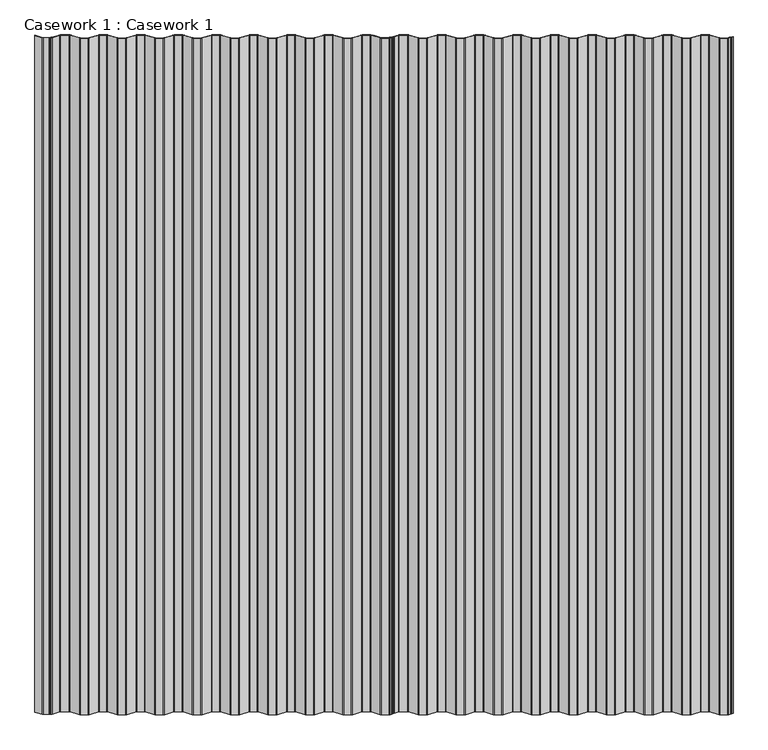
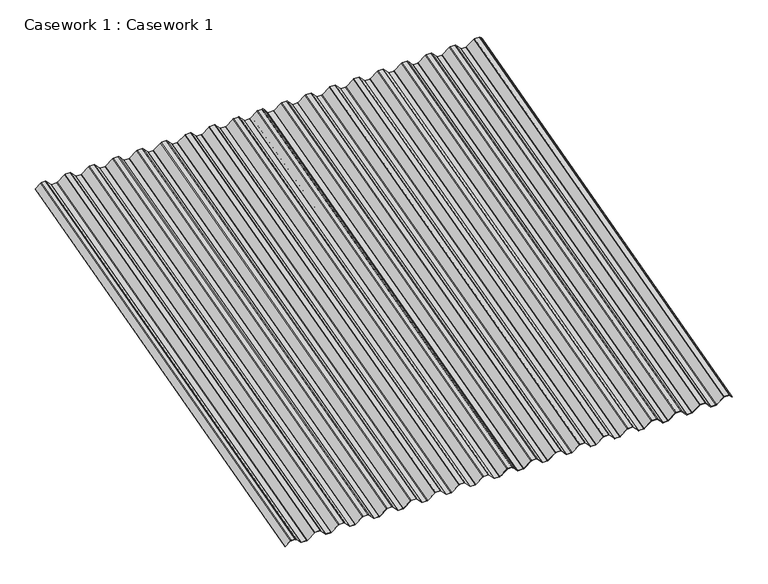
"""IFC4 building model written with IfcOpenShell, lengths in millimetres: furniture geometry, Casework 1 : Casework 1."""

from ifc_helpers import new_model, si_unit, point, frame, frame_2d, origin, place, context, project, spatial, polyline, circle_curve, trimmed, segment, composite_curve, outline, extrude, source, transform, mapped, element, save


def casework_1_casework_1_2059b496(model_context):
    return source(origin(), model_context, "Body", "SweptSolid", [
        extrude(outline(composite_curve([segment(polyline([(22.4266797, 18.2436099), (17.0394884, 22.7230352)]), True, "CONTINUOUS"), segment(trimmed(circle_curve(frame_2d((17.4272006, 23.0454162)), 0.5042323), [point((17.0394884, 22.7230352))], [point((17.7495816, 23.4331284))], False, "CARTESIAN"), True, "CONTINUOUS"), segment(polyline([(17.7495816, 23.4331284), (22.7475344, 19.2773532), (24.8599332, 19.4717018), (25.628849, 18.8323518), (25.8231976, 16.719953), (30.8211505, 12.5641778)]), True, "CONTINUOUS"), segment(trimmed(circle_curve(frame_2d((28.25, 9.5)), 4.0), [point((30.8211505, 12.5641778))], [point((32.25, 9.5))], False, "CARTESIAN"), True, "CONTINUOUS"), segment(polyline([(32.25, 9.5), (32.25, -9.5)]), True, "CONTINUOUS"), segment(trimmed(circle_curve(frame_2d((28.25, -9.5)), 4.0), [point((32.25, -9.5))], [point((30.8282571, -12.5582005))], False, "CARTESIAN"), True, "CONTINUOUS"), segment(polyline([(30.8282571, -12.5582005), (2.0663072, -36.8063496)]), True, "CONTINUOUS"), segment(trimmed(circle_curve(frame_2d((4.0, -39.1)), 3.0), [point((2.0663072, -36.8063496))], [point((1.0, -39.1))], True, "CARTESIAN"), True, "CONTINUOUS"), segment(polyline([(1.0, -39.1), (1.0, -58.12)]), True, "CONTINUOUS"), segment(trimmed(circle_curve(frame_2d((4.0, -58.12)), 3.0), [point((1.0, -58.12))], [point((2.0663065, -60.4136498))], True, "CARTESIAN"), True, "CONTINUOUS"), segment(polyline([(2.0663065, -60.4136498), (30.8211505, -84.6558222)]), True, "CONTINUOUS"), segment(trimmed(circle_curve(frame_2d((28.25, -87.72)), 4.0), [point((30.8211505, -84.6558222))], [point((32.25, -87.72))], False, "CARTESIAN"), True, "CONTINUOUS"), segment(polyline([(32.25, -87.72), (32.25, -106.72)]), True, "CONTINUOUS"), segment(trimmed(circle_curve(frame_2d((28.25, -106.72)), 4.0), [point((32.25, -106.72))], [point((30.8211505, -109.7841778))], False, "CARTESIAN"), True, "CONTINUOUS"), segment(polyline([(30.8211505, -109.7841778), (2.0716372, -134.0218666)]), True, "CONTINUOUS"), segment(trimmed(circle_curve(frame_2d((4.0, -136.32)), 3.0), [point((2.0716372, -134.0218666))], [point((1.0, -136.32))], True, "CARTESIAN"), True, "CONTINUOUS"), segment(polyline([(1.0, -136.32), (1.0, -155.342)]), True, "CONTINUOUS"), segment(trimmed(circle_curve(frame_2d((4.0, -155.342)), 3.0), [point((1.0, -155.342))], [point((2.0716372, -157.6401333))], True, "CARTESIAN"), True, "CONTINUOUS"), segment(polyline([(2.0716372, -157.6401333), (30.8211505, -181.8778222)]), True, "CONTINUOUS"), segment(trimmed(circle_curve(frame_2d((28.25, -184.942)), 4.0), [point((30.8211505, -181.8778222))], [point((32.25, -184.942))], False, "CARTESIAN"), True, "CONTINUOUS"), segment(polyline([(32.25, -184.942), (32.25, -203.942)]), True, "CONTINUOUS"), segment(trimmed(circle_curve(frame_2d((28.25, -203.942)), 4.0), [point((32.25, -203.942))], [point((30.8282571, -207.0002005))], False, "CARTESIAN"), True, "CONTINUOUS"), segment(polyline([(30.8282571, -207.0002005), (2.0663072, -231.2483496)]), True, "CONTINUOUS"), segment(trimmed(circle_curve(frame_2d((4.0, -233.542)), 3.0), [point((2.0663072, -231.2483496))], [point((1.0, -233.542))], True, "CARTESIAN"), True, "CONTINUOUS"), segment(polyline([(1.0, -233.542), (1.0, -252.564)]), True, "CONTINUOUS"), segment(trimmed(circle_curve(frame_2d((4.0, -252.564)), 3.0), [point((1.0, -252.564))], [point((2.0716372, -254.8621333))], True, "CARTESIAN"), True, "CONTINUOUS"), segment(polyline([(2.0716372, -254.8621333), (30.8211505, -279.0998222)]), True, "CONTINUOUS"), segment(trimmed(circle_curve(frame_2d((28.25, -282.164)), 4.0), [point((30.8211505, -279.0998222))], [point((32.25, -282.164))], False, "CARTESIAN"), True, "CONTINUOUS"), segment(polyline([(32.25, -282.164), (32.25, -301.164)]), True, "CONTINUOUS"), segment(trimmed(circle_curve(frame_2d((28.25, -301.164)), 4.0), [point((32.25, -301.164))], [point((30.8282578, -304.2221999))], False, "CARTESIAN"), True, "CONTINUOUS"), segment(polyline([(30.8282578, -304.2221999), (2.0716372, -328.4658666)]), True, "CONTINUOUS"), segment(trimmed(circle_curve(frame_2d((4.0, -330.764)), 3.0), [point((2.0716372, -328.4658666))], [point((1.0, -330.764))], True, "CARTESIAN"), True, "CONTINUOUS"), segment(polyline([(1.0, -330.764), (1.0, -349.786)]), True, "CONTINUOUS"), segment(trimmed(circle_curve(frame_2d((4.0, -349.786)), 3.0), [point((1.0, -349.786))], [point((2.0716372, -352.0841333))], True, "CARTESIAN"), True, "CONTINUOUS"), segment(polyline([(2.0716372, -352.0841333), (30.8211505, -376.3218222)]), True, "CONTINUOUS"), segment(trimmed(circle_curve(frame_2d((28.25, -379.386)), 4.0), [point((30.8211505, -376.3218222))], [point((32.25, -379.386))], False, "CARTESIAN"), True, "CONTINUOUS"), segment(polyline([(32.25, -379.386), (32.25, -398.386)]), True, "CONTINUOUS"), segment(trimmed(circle_curve(frame_2d((28.25, -398.386)), 4.0), [point((32.25, -398.386))], [point((30.8211505, -401.4501778))], False, "CARTESIAN"), True, "CONTINUOUS"), segment(polyline([(30.8211505, -401.4501778), (2.0663065, -425.6923502)]), True, "CONTINUOUS"), segment(trimmed(circle_curve(frame_2d((4.0, -427.986)), 3.0), [point((2.0663065, -425.6923502))], [point((1.0, -427.986))], True, "CARTESIAN"), True, "CONTINUOUS"), segment(polyline([(1.0, -427.986), (1.0, -447.008)]), True, "CONTINUOUS"), segment(trimmed(circle_curve(frame_2d((4.0, -447.008)), 3.0), [point((1.0, -447.008))], [point((2.0663072, -449.3016504))], True, "CARTESIAN"), True, "CONTINUOUS"), segment(polyline([(2.0663072, -449.3016504), (30.8282571, -473.5497995)]), True, "CONTINUOUS"), segment(trimmed(circle_curve(frame_2d((28.25, -476.608)), 4.0), [point((30.8282571, -473.5497995))], [point((32.25, -476.608))], False, "CARTESIAN"), True, "CONTINUOUS"), segment(polyline([(32.25, -476.608), (32.25, -495.608)]), True, "CONTINUOUS"), segment(trimmed(circle_curve(frame_2d((28.25, -495.608)), 4.0), [point((32.25, -495.608))], [point((30.8282578, -498.6661999))], False, "CARTESIAN"), True, "CONTINUOUS"), segment(polyline([(30.8282578, -498.6661999), (2.0716372, -522.9098666)]), True, "CONTINUOUS"), segment(trimmed(circle_curve(frame_2d((4.0, -525.208)), 3.0), [point((2.0716372, -522.9098666))], [point((1.0, -525.208))], True, "CARTESIAN"), True, "CONTINUOUS"), segment(polyline([(1.0, -525.208), (1.0, -544.232)]), True, "CONTINUOUS"), segment(trimmed(circle_curve(frame_2d((4.0, -544.232)), 3.0), [point((1.0, -544.232))], [point((2.0716372, -546.5301333))], True, "CARTESIAN"), True, "CONTINUOUS"), segment(polyline([(2.0716372, -546.5301333), (30.8211505, -570.7678222)]), True, "CONTINUOUS"), segment(trimmed(circle_curve(frame_2d((28.25, -573.832)), 4.0), [point((30.8211505, -570.7678222))], [point((32.25, -573.832))], False, "CARTESIAN"), True, "CONTINUOUS"), segment(polyline([(32.25, -573.832), (32.25, -592.832)]), True, "CONTINUOUS"), segment(trimmed(circle_curve(frame_2d((28.25, -592.832)), 4.0), [point((32.25, -592.832))], [point((30.8211505, -595.8961778))], False, "CARTESIAN"), True, "CONTINUOUS"), segment(polyline([(30.8211505, -595.8961778), (2.0716372, -620.1338666)]), True, "CONTINUOUS"), segment(trimmed(circle_curve(frame_2d((4.0, -622.432)), 3.0), [point((2.0716372, -620.1338666))], [point((1.0, -622.432))], True, "CARTESIAN"), True, "CONTINUOUS"), segment(polyline([(1.0, -622.432), (1.0, -641.454)]), True, "CONTINUOUS"), segment(trimmed(circle_curve(frame_2d((4.0, -641.454)), 3.0), [point((1.0, -641.454))], [point((2.0716372, -643.7521333))], True, "CARTESIAN"), True, "CONTINUOUS"), segment(polyline([(2.0716372, -643.7521333), (30.8211505, -667.9898222)]), True, "CONTINUOUS"), segment(trimmed(circle_curve(frame_2d((28.25, -671.054)), 4.0), [point((30.8211505, -667.9898222))], [point((32.25, -671.054))], False, "CARTESIAN"), True, "CONTINUOUS"), segment(polyline([(32.25, -671.054), (32.25, -690.054)]), True, "CONTINUOUS"), segment(trimmed(circle_curve(frame_2d((28.25, -690.054)), 4.0), [point((32.25, -690.054))], [point((30.8211505, -693.1181778))], False, "CARTESIAN"), True, "CONTINUOUS"), segment(polyline([(30.8211505, -693.1181778), (2.0716372, -717.3558666)]), True, "CONTINUOUS"), segment(trimmed(circle_curve(frame_2d((4.0, -719.654)), 3.0), [point((2.0716372, -717.3558666))], [point((1.0, -719.654))], True, "CARTESIAN"), True, "CONTINUOUS"), segment(polyline([(1.0, -719.654), (1.0, -738.676)]), True, "CONTINUOUS"), segment(trimmed(circle_curve(frame_2d((4.0, -738.676)), 3.0), [point((1.0, -738.676))], [point((2.0716372, -740.9741333))], True, "CARTESIAN"), True, "CONTINUOUS"), segment(polyline([(2.0716372, -740.9741333), (30.8211505, -765.2118222)]), True, "CONTINUOUS"), segment(trimmed(circle_curve(frame_2d((28.25, -768.276)), 4.0), [point((30.8211505, -765.2118222))], [point((32.25, -768.276))], False, "CARTESIAN"), True, "CONTINUOUS"), segment(polyline([(32.25, -768.276), (32.25, -787.276)]), True, "CONTINUOUS"), segment(trimmed(circle_curve(frame_2d((28.25, -787.276)), 4.0), [point((32.25, -787.276))], [point((30.8211505, -790.3401778))], False, "CARTESIAN"), True, "CONTINUOUS"), segment(polyline([(30.8211505, -790.3401778), (2.0716372, -814.5778666)]), True, "CONTINUOUS"), segment(trimmed(circle_curve(frame_2d((4.0, -816.876)), 3.0), [point((2.0716372, -814.5778666))], [point((1.0, -816.876))], True, "CARTESIAN"), True, "CONTINUOUS"), segment(polyline([(1.0, -816.876), (1.0, -838.6568295)]), True, "CONTINUOUS"), segment(trimmed(circle_curve(frame_2d((4.0, -838.6568295)), 3.0), [point((1.0, -838.6568295))], [point((2.0716372, -840.9549628))], True, "CARTESIAN"), True, "CONTINUOUS"), segment(polyline([(2.0716372, -840.9549628), (26.2500001, -861.3706417), (26.2500001, -863.7304827)]), True, "CONTINUOUS"), segment(trimmed(circle_curve(frame_2d((27.25, -863.7304827)), 1.0), [point((26.2500001, -863.7304827))], [point((26.61065, -864.4993985))], True, "CARTESIAN"), True, "CONTINUOUS"), segment(polyline([(26.61065, -864.4993985), (29.8971979, -867.2321483)]), True, "CONTINUOUS"), segment(trimmed(circle_curve(frame_2d((29.2578479, -868.0010641)), 1.0), [point((29.8971979, -867.2321483))], [point((30.2578478, -868.001572))], False, "CARTESIAN"), True, "CONTINUOUS"), segment(polyline([(30.2578478, -868.001572), (30.2500001, -883.4536328)]), True, "CONTINUOUS"), segment(trimmed(circle_curve(frame_2d((26.2500001, -883.4536328)), 4.0), [point((30.2500001, -883.4536328))], [point((28.8211505, -886.5178105))], False, "CARTESIAN"), True, "CONTINUOUS"), segment(polyline([(28.8211505, -886.5178105), (6.1904487, -905.5969394)]), True, "CONTINUOUS"), segment(trimmed(circle_curve(frame_2d((5.8742903, -905.2059099)), 0.5028521), [point((6.1904487, -905.5969394))], [point((5.4965708, -904.8739638))], False, "CARTESIAN"), True, "CONTINUOUS"), segment(polyline([(5.4965708, -904.8739638), (28.1898359, -885.7420901)]), True, "CONTINUOUS"), segment(trimmed(circle_curve(frame_2d((26.2500001, -883.4536328)), 3.0), [point((28.1898359, -885.7420901))], [point((29.25, -883.4536328))], True, "CARTESIAN"), True, "CONTINUOUS"), segment(polyline([(29.25, -883.4536328), (29.2578479, -868.0010641), (25.9713, -865.2683143)]), True, "CONTINUOUS"), segment(trimmed(circle_curve(frame_2d((27.25, -863.7304827)), 2.0), [point((25.9713, -865.2683143))], [point((25.25, -863.7304827))], False, "CARTESIAN"), True, "CONTINUOUS"), segment(polyline([(25.25, -863.7304827), (25.25, -861.8350701), (1.4112273, -841.7061337)]), True, "CONTINUOUS"), segment(trimmed(circle_curve(frame_2d((4.0, -838.6568295)), 4.0), [point((1.4112273, -841.7061337))], [point((0.0, -838.6568295))], False, "CARTESIAN"), True, "CONTINUOUS"), segment(polyline([(0.0, -838.6568295), (0.0, -816.876)]), True, "CONTINUOUS"), segment(trimmed(circle_curve(frame_2d((4.0, -816.876)), 4.0), [point((0.0, -816.876))], [point((1.4278965, -813.8126222))], False, "CARTESIAN"), True, "CONTINUOUS"), segment(polyline([(1.4278965, -813.8126222), (30.1775372, -789.5748259)]), True, "CONTINUOUS"), segment(trimmed(circle_curve(frame_2d((28.25, -787.276)), 3.0), [point((30.1775372, -789.5748259))], [point((31.25, -787.2759999))], True, "CARTESIAN"), True, "CONTINUOUS"), segment(polyline([(31.25, -787.2759999), (31.2499995, -768.2759999)]), True, "CONTINUOUS"), segment(trimmed(circle_curve(frame_2d((28.2499995, -768.276)), 3.0), [point((31.2499995, -768.2759999))], [point((30.1776317, -765.9772538))], True, "CARTESIAN"), True, "CONTINUOUS"), segment(polyline([(30.1776317, -765.9772538), (1.4278965, -741.7393777)]), True, "CONTINUOUS"), segment(trimmed(circle_curve(frame_2d((4.0, -738.676)), 4.0), [point((1.4278965, -741.7393777))], [point((0.0, -738.676))], False, "CARTESIAN"), True, "CONTINUOUS"), segment(polyline([(0.0, -738.676), (0.0, -719.654)]), True, "CONTINUOUS"), segment(trimmed(circle_curve(frame_2d((4.0, -719.654)), 4.0), [point((0.0, -719.654))], [point((1.4278965, -716.5906222))], False, "CARTESIAN"), True, "CONTINUOUS"), segment(polyline([(1.4278965, -716.5906222), (30.1775372, -692.3528259)]), True, "CONTINUOUS"), segment(trimmed(circle_curve(frame_2d((28.25, -690.054)), 3.0), [point((30.1775372, -692.3528259))], [point((31.25, -690.0539999))], True, "CARTESIAN"), True, "CONTINUOUS"), segment(polyline([(31.25, -690.0539999), (31.2499995, -671.0539999)]), True, "CONTINUOUS"), segment(trimmed(circle_curve(frame_2d((28.2499995, -671.054)), 3.0), [point((31.2499995, -671.0539999))], [point((30.1776317, -668.7552538))], True, "CARTESIAN"), True, "CONTINUOUS"), segment(polyline([(30.1776317, -668.7552538), (1.4278965, -644.5173777)]), True, "CONTINUOUS"), segment(trimmed(circle_curve(frame_2d((4.0, -641.454)), 4.0), [point((1.4278965, -644.5173777))], [point((0.0, -641.454))], False, "CARTESIAN"), True, "CONTINUOUS"), segment(polyline([(0.0, -641.454), (0.0, -622.432)]), True, "CONTINUOUS"), segment(trimmed(circle_curve(frame_2d((4.0, -622.432)), 4.0), [point((0.0, -622.432))], [point((1.4278965, -619.3686222))], False, "CARTESIAN"), True, "CONTINUOUS"), segment(polyline([(1.4278965, -619.3686222), (30.1775372, -595.1308259)]), True, "CONTINUOUS"), segment(trimmed(circle_curve(frame_2d((28.25, -592.832)), 3.0), [point((30.1775372, -595.1308259))], [point((31.25, -592.8319999))], True, "CARTESIAN"), True, "CONTINUOUS"), segment(polyline([(31.25, -592.8319999), (31.2499995, -573.8319999)]), True, "CONTINUOUS"), segment(trimmed(circle_curve(frame_2d((28.2499995, -573.832)), 3.0), [point((31.2499995, -573.8319999))], [point((30.1776317, -571.5332538))], True, "CARTESIAN"), True, "CONTINUOUS"), segment(polyline([(30.1776317, -571.5332538), (1.4278965, -547.2953777)]), True, "CONTINUOUS"), segment(trimmed(circle_curve(frame_2d((4.0, -544.232)), 4.0), [point((1.4278965, -547.2953777))], [point((0.0, -544.232))], False, "CARTESIAN"), True, "CONTINUOUS"), segment(polyline([(0.0, -544.232), (0.0, -525.208)]), True, "CONTINUOUS"), segment(trimmed(circle_curve(frame_2d((4.0, -525.208)), 4.0), [point((0.0, -525.208))], [point((1.4278965, -522.1446222))], False, "CARTESIAN"), True, "CONTINUOUS"), segment(polyline([(1.4278965, -522.1446222), (30.1836928, -497.9016504)]), True, "CONTINUOUS"), segment(trimmed(circle_curve(frame_2d((28.2499995, -495.6080004)), 3.0), [point((30.1836928, -497.9016504))], [point((31.2499995, -495.6080005))], True, "CARTESIAN"), True, "CONTINUOUS"), segment(polyline([(31.2499995, -495.6080005), (31.25, -476.6080001)]), True, "CONTINUOUS"), segment(trimmed(circle_curve(frame_2d((28.25, -476.608)), 3.0), [point((31.25, -476.6080001))], [point((30.1836928, -474.3143496))], True, "CARTESIAN"), True, "CONTINUOUS"), segment(polyline([(30.1836928, -474.3143496), (1.4217429, -450.0662005)]), True, "CONTINUOUS"), segment(trimmed(circle_curve(frame_2d((4.0, -447.008)), 4.0), [point((1.4217429, -450.0662005))], [point((0.0, -447.008))], False, "CARTESIAN"), True, "CONTINUOUS"), segment(polyline([(0.0, -447.008), (0.0, -427.986)]), True, "CONTINUOUS"), segment(trimmed(circle_curve(frame_2d((4.0, -427.986)), 4.0), [point((0.0, -427.986))], [point((1.421742, -424.9278002))], False, "CARTESIAN"), True, "CONTINUOUS"), segment(polyline([(1.421742, -424.9278002), (30.1775373, -400.6848258)]), True, "CONTINUOUS"), segment(trimmed(circle_curve(frame_2d((28.25, -398.386)), 3.0), [point((30.1775373, -400.6848258))], [point((31.25, -398.3859999))], True, "CARTESIAN"), True, "CONTINUOUS"), segment(polyline([(31.25, -398.3859999), (31.2499995, -379.3859999)]), True, "CONTINUOUS"), segment(trimmed(circle_curve(frame_2d((28.2499995, -379.386)), 3.0), [point((31.2499995, -379.3859999))], [point((30.1776317, -377.0872538))], True, "CARTESIAN"), True, "CONTINUOUS"), segment(polyline([(30.1776317, -377.0872538), (1.4278965, -352.8493777)]), True, "CONTINUOUS"), segment(trimmed(circle_curve(frame_2d((4.0, -349.786)), 4.0), [point((1.4278965, -352.8493777))], [point((0.0, -349.786))], False, "CARTESIAN"), True, "CONTINUOUS"), segment(polyline([(0.0, -349.786), (0.0, -330.764)]), True, "CONTINUOUS"), segment(trimmed(circle_curve(frame_2d((4.0, -330.764)), 4.0), [point((0.0, -330.764))], [point((1.4278965, -327.7006222))], False, "CARTESIAN"), True, "CONTINUOUS"), segment(polyline([(1.4278965, -327.7006222), (30.1836933, -303.4576499)]), True, "CONTINUOUS"), segment(trimmed(circle_curve(frame_2d((28.25, -301.164)), 3.0), [point((30.1836933, -303.4576499))], [point((31.2499995, -301.1622476))], True, "CARTESIAN"), True, "CONTINUOUS"), segment(polyline([(31.2499995, -301.1622476), (31.2499995, -282.164)]), True, "CONTINUOUS"), segment(trimmed(circle_curve(frame_2d((28.2499995, -282.164)), 3.0), [point((31.2499995, -282.164))], [point((30.1776317, -279.8652538))], True, "CARTESIAN"), True, "CONTINUOUS"), segment(polyline([(30.1776317, -279.8652538), (1.4278965, -255.6273777)]), True, "CONTINUOUS"), segment(trimmed(circle_curve(frame_2d((4.0, -252.564)), 4.0), [point((1.4278965, -255.6273777))], [point((0.0, -252.564))], False, "CARTESIAN"), True, "CONTINUOUS"), segment(polyline([(0.0, -252.564), (0.0, -233.542)]), True, "CONTINUOUS"), segment(trimmed(circle_curve(frame_2d((4.0, -233.542)), 4.0), [point((0.0, -233.542))], [point((1.4217429, -230.4837995))], False, "CARTESIAN"), True, "CONTINUOUS"), segment(polyline([(1.4217429, -230.4837995), (30.1836928, -206.2356504)]), True, "CONTINUOUS"), segment(trimmed(circle_curve(frame_2d((28.25, -203.942)), 3.0), [point((30.1836928, -206.2356504))], [point((31.2499995, -203.9402476))], True, "CARTESIAN"), True, "CONTINUOUS"), segment(polyline([(31.2499995, -203.9402476), (31.2499995, -184.942)]), True, "CONTINUOUS"), segment(trimmed(circle_curve(frame_2d((28.2499995, -184.942)), 3.0), [point((31.2499995, -184.942))], [point((30.1776317, -182.6432538))], True, "CARTESIAN"), True, "CONTINUOUS"), segment(polyline([(30.1776317, -182.6432538), (1.4278965, -158.4053777)]), True, "CONTINUOUS"), segment(trimmed(circle_curve(frame_2d((4.0, -155.342)), 4.0), [point((1.4278965, -158.4053777))], [point((0.0, -155.342))], False, "CARTESIAN"), True, "CONTINUOUS"), segment(polyline([(0.0, -155.342), (0.0, -136.32)]), True, "CONTINUOUS"), segment(trimmed(circle_curve(frame_2d((4.0, -136.32)), 4.0), [point((0.0, -136.32))], [point((1.4278965, -133.2566222))], False, "CARTESIAN"), True, "CONTINUOUS"), segment(polyline([(1.4278965, -133.2566222), (30.1775372, -109.0188259)]), True, "CONTINUOUS"), segment(trimmed(circle_curve(frame_2d((28.25, -106.72)), 3.0), [point((30.1775372, -109.0188259))], [point((31.25, -106.7199999))], True, "CARTESIAN"), True, "CONTINUOUS"), segment(polyline([(31.25, -106.7199999), (31.2499995, -87.7199999)]), True, "CONTINUOUS"), segment(trimmed(circle_curve(frame_2d((28.2499995, -87.72)), 3.0), [point((31.2499995, -87.7199999))], [point((30.1776318, -85.4212538))], True, "CARTESIAN"), True, "CONTINUOUS"), segment(polyline([(30.1776318, -85.4212538), (1.421742, -61.1781997)]), True, "CONTINUOUS"), segment(trimmed(circle_curve(frame_2d((4.0, -58.12)), 4.0), [point((1.421742, -61.1781997))], [point((0.0, -58.12))], False, "CARTESIAN"), True, "CONTINUOUS"), segment(polyline([(0.0, -58.12), (0.0, -39.1)]), True, "CONTINUOUS"), segment(trimmed(circle_curve(frame_2d((4.0, -39.1)), 4.0), [point((0.0, -39.1))], [point((1.4217429, -36.0417995))], False, "CARTESIAN"), True, "CONTINUOUS"), segment(polyline([(1.4217429, -36.0417995), (30.1836924, -11.7936508)]), True, "CONTINUOUS"), segment(trimmed(circle_curve(frame_2d((28.2499995, -9.5000004)), 3.0), [point((30.1836924, -11.7936508))], [point((31.2499995, -9.5000005))], True, "CARTESIAN"), True, "CONTINUOUS"), segment(polyline([(31.2499995, -9.5000005), (31.25, 9.4999999)]), True, "CONTINUOUS"), segment(trimmed(circle_curve(frame_2d((28.25, 9.5)), 3.0), [point((31.25, 9.4999999))], [point((30.1799548, 11.7967966))], True, "CARTESIAN"), True, "CONTINUOUS"), segment(polyline([(30.1799548, 11.7967966), (24.8653523, 16.2158647), (24.6598886, 18.4490736), (22.4266797, 18.2436099)]), True, "CONTINUOUS")], self_intersect=False)), frame((-6533.1309808, -11903.1293549, 1316.0740635), z_axis=(0.0, 0.9659258262890684, 0.2588190451025205), x_axis=(0.0, -0.2588190451025205, 0.9659258262890684)), (0.0, 0.0, 1.0), 1810.0),
        extrude(outline(composite_curve([segment(polyline([(22.4266797, 18.2436099), (17.0394884, 22.7230352)]), True, "CONTINUOUS"), segment(trimmed(circle_curve(frame_2d((17.4272006, 23.0454161)), 0.5042323), [point((17.0394884, 22.7230352))], [point((17.7495816, 23.4331284))], False, "CARTESIAN"), True, "CONTINUOUS"), segment(polyline([(17.7495816, 23.4331284), (22.7475344, 19.2773531), (24.8599332, 19.4717018), (25.628849, 18.8323518), (25.8231976, 16.719953), (30.8211505, 12.5641778)]), True, "CONTINUOUS"), segment(trimmed(circle_curve(frame_2d((28.25, 9.5)), 4.0), [point((30.8211505, 12.5641778))], [point((32.25, 9.5))], False, "CARTESIAN"), True, "CONTINUOUS"), segment(polyline([(32.25, 9.5), (32.25, -9.5)]), True, "CONTINUOUS"), segment(trimmed(circle_curve(frame_2d((28.25, -9.5)), 4.0), [point((32.25, -9.5))], [point((30.8282571, -12.5582005))], False, "CARTESIAN"), True, "CONTINUOUS"), segment(polyline([(30.8282571, -12.5582005), (2.0663072, -36.8063496)]), True, "CONTINUOUS"), segment(trimmed(circle_curve(frame_2d((4.0, -39.1)), 3.0), [point((2.0663072, -36.8063496))], [point((1.0, -39.1))], True, "CARTESIAN"), True, "CONTINUOUS"), segment(polyline([(1.0, -39.1), (1.0, -58.12)]), True, "CONTINUOUS"), segment(trimmed(circle_curve(frame_2d((4.0, -58.12)), 3.0), [point((1.0, -58.12))], [point((2.0663065, -60.4136498))], True, "CARTESIAN"), True, "CONTINUOUS"), segment(polyline([(2.0663065, -60.4136498), (30.8211505, -84.6558222)]), True, "CONTINUOUS"), segment(trimmed(circle_curve(frame_2d((28.25, -87.72)), 4.0), [point((30.8211505, -84.6558222))], [point((32.25, -87.72))], False, "CARTESIAN"), True, "CONTINUOUS"), segment(polyline([(32.25, -87.72), (32.25, -106.72)]), True, "CONTINUOUS"), segment(trimmed(circle_curve(frame_2d((28.25, -106.72)), 4.0), [point((32.25, -106.72))], [point((30.8211505, -109.7841778))], False, "CARTESIAN"), True, "CONTINUOUS"), segment(polyline([(30.8211505, -109.7841778), (2.0716372, -134.0218667)]), True, "CONTINUOUS"), segment(trimmed(circle_curve(frame_2d((4.0, -136.32)), 3.0), [point((2.0716372, -134.0218667))], [point((1.0, -136.32))], True, "CARTESIAN"), True, "CONTINUOUS"), segment(polyline([(1.0, -136.32), (1.0, -155.342)]), True, "CONTINUOUS"), segment(trimmed(circle_curve(frame_2d((4.0, -155.342)), 3.0), [point((1.0, -155.342))], [point((2.0716372, -157.6401333))], True, "CARTESIAN"), True, "CONTINUOUS"), segment(polyline([(2.0716372, -157.6401333), (30.8211505, -181.8778222)]), True, "CONTINUOUS"), segment(trimmed(circle_curve(frame_2d((28.25, -184.942)), 4.0), [point((30.8211505, -181.8778222))], [point((32.25, -184.942))], False, "CARTESIAN"), True, "CONTINUOUS"), segment(polyline([(32.25, -184.942), (32.25, -203.942)]), True, "CONTINUOUS"), segment(trimmed(circle_curve(frame_2d((28.25, -203.942)), 4.0), [point((32.25, -203.942))], [point((30.8282571, -207.0002005))], False, "CARTESIAN"), True, "CONTINUOUS"), segment(polyline([(30.8282571, -207.0002005), (2.0663072, -231.2483496)]), True, "CONTINUOUS"), segment(trimmed(circle_curve(frame_2d((4.0, -233.542)), 3.0), [point((2.0663072, -231.2483496))], [point((1.0, -233.542))], True, "CARTESIAN"), True, "CONTINUOUS"), segment(polyline([(1.0, -233.542), (1.0, -252.564)]), True, "CONTINUOUS"), segment(trimmed(circle_curve(frame_2d((4.0, -252.564)), 3.0), [point((1.0, -252.564))], [point((2.0716372, -254.8621333))], True, "CARTESIAN"), True, "CONTINUOUS"), segment(polyline([(2.0716372, -254.8621333), (30.8211505, -279.0998222)]), True, "CONTINUOUS"), segment(trimmed(circle_curve(frame_2d((28.25, -282.164)), 4.0), [point((30.8211505, -279.0998222))], [point((32.25, -282.164))], False, "CARTESIAN"), True, "CONTINUOUS"), segment(polyline([(32.25, -282.164), (32.25, -301.164)]), True, "CONTINUOUS"), segment(trimmed(circle_curve(frame_2d((28.25, -301.164)), 4.0), [point((32.25, -301.164))], [point((30.8282578, -304.2221999))], False, "CARTESIAN"), True, "CONTINUOUS"), segment(polyline([(30.8282578, -304.2221999), (2.0716372, -328.4658667)]), True, "CONTINUOUS"), segment(trimmed(circle_curve(frame_2d((4.0, -330.764)), 3.0), [point((2.0716372, -328.4658667))], [point((1.0, -330.764))], True, "CARTESIAN"), True, "CONTINUOUS"), segment(polyline([(1.0, -330.764), (1.0, -349.786)]), True, "CONTINUOUS"), segment(trimmed(circle_curve(frame_2d((4.0, -349.786)), 3.0), [point((1.0, -349.786))], [point((2.0716372, -352.0841333))], True, "CARTESIAN"), True, "CONTINUOUS"), segment(polyline([(2.0716372, -352.0841333), (30.8211505, -376.3218222)]), True, "CONTINUOUS"), segment(trimmed(circle_curve(frame_2d((28.25, -379.386)), 4.0), [point((30.8211505, -376.3218222))], [point((32.25, -379.386))], False, "CARTESIAN"), True, "CONTINUOUS"), segment(polyline([(32.25, -379.386), (32.25, -398.386)]), True, "CONTINUOUS"), segment(trimmed(circle_curve(frame_2d((28.25, -398.386)), 4.0), [point((32.25, -398.386))], [point((30.8211505, -401.4501778))], False, "CARTESIAN"), True, "CONTINUOUS"), segment(polyline([(30.8211505, -401.4501778), (2.0663065, -425.6923502)]), True, "CONTINUOUS"), segment(trimmed(circle_curve(frame_2d((4.0, -427.986)), 3.0), [point((2.0663065, -425.6923502))], [point((1.0, -427.986))], True, "CARTESIAN"), True, "CONTINUOUS"), segment(polyline([(1.0, -427.986), (1.0, -447.008)]), True, "CONTINUOUS"), segment(trimmed(circle_curve(frame_2d((4.0, -447.008)), 3.0), [point((1.0, -447.008))], [point((2.0663072, -449.3016504))], True, "CARTESIAN"), True, "CONTINUOUS"), segment(polyline([(2.0663072, -449.3016504), (30.8282571, -473.5497995)]), True, "CONTINUOUS"), segment(trimmed(circle_curve(frame_2d((28.25, -476.608)), 4.0), [point((30.8282571, -473.5497995))], [point((32.25, -476.608))], False, "CARTESIAN"), True, "CONTINUOUS"), segment(polyline([(32.25, -476.608), (32.25, -495.608)]), True, "CONTINUOUS"), segment(trimmed(circle_curve(frame_2d((28.25, -495.608)), 4.0), [point((32.25, -495.608))], [point((30.8282578, -498.6661999))], False, "CARTESIAN"), True, "CONTINUOUS"), segment(polyline([(30.8282578, -498.6661999), (2.0716372, -522.9098667)]), True, "CONTINUOUS"), segment(trimmed(circle_curve(frame_2d((4.0, -525.208)), 3.0), [point((2.0716372, -522.9098667))], [point((1.0, -525.208))], True, "CARTESIAN"), True, "CONTINUOUS"), segment(polyline([(1.0, -525.208), (1.0, -544.232)]), True, "CONTINUOUS"), segment(trimmed(circle_curve(frame_2d((4.0, -544.232)), 3.0), [point((1.0, -544.232))], [point((2.0716372, -546.5301333))], True, "CARTESIAN"), True, "CONTINUOUS"), segment(polyline([(2.0716372, -546.5301333), (30.8211505, -570.7678222)]), True, "CONTINUOUS"), segment(trimmed(circle_curve(frame_2d((28.25, -573.832)), 4.0), [point((30.8211505, -570.7678222))], [point((32.25, -573.832))], False, "CARTESIAN"), True, "CONTINUOUS"), segment(polyline([(32.25, -573.832), (32.25, -592.832)]), True, "CONTINUOUS"), segment(trimmed(circle_curve(frame_2d((28.25, -592.832)), 4.0), [point((32.25, -592.832))], [point((30.8211505, -595.8961778))], False, "CARTESIAN"), True, "CONTINUOUS"), segment(polyline([(30.8211505, -595.8961778), (2.0716372, -620.1338667)]), True, "CONTINUOUS"), segment(trimmed(circle_curve(frame_2d((4.0, -622.432)), 3.0), [point((2.0716372, -620.1338667))], [point((1.0, -622.432))], True, "CARTESIAN"), True, "CONTINUOUS"), segment(polyline([(1.0, -622.432), (1.0, -641.454)]), True, "CONTINUOUS"), segment(trimmed(circle_curve(frame_2d((4.0, -641.454)), 3.0), [point((1.0, -641.454))], [point((2.0716372, -643.7521333))], True, "CARTESIAN"), True, "CONTINUOUS"), segment(polyline([(2.0716372, -643.7521333), (30.8211505, -667.9898222)]), True, "CONTINUOUS"), segment(trimmed(circle_curve(frame_2d((28.25, -671.054)), 4.0), [point((30.8211505, -667.9898222))], [point((32.25, -671.054))], False, "CARTESIAN"), True, "CONTINUOUS"), segment(polyline([(32.25, -671.054), (32.25, -690.054)]), True, "CONTINUOUS"), segment(trimmed(circle_curve(frame_2d((28.25, -690.054)), 4.0), [point((32.25, -690.054))], [point((30.8211505, -693.1181778))], False, "CARTESIAN"), True, "CONTINUOUS"), segment(polyline([(30.8211505, -693.1181778), (2.0716372, -717.3558667)]), True, "CONTINUOUS"), segment(trimmed(circle_curve(frame_2d((4.0, -719.654)), 3.0), [point((2.0716372, -717.3558667))], [point((1.0, -719.654))], True, "CARTESIAN"), True, "CONTINUOUS"), segment(polyline([(1.0, -719.654), (1.0, -738.676)]), True, "CONTINUOUS"), segment(trimmed(circle_curve(frame_2d((4.0, -738.676)), 3.0), [point((1.0, -738.676))], [point((2.0716372, -740.9741333))], True, "CARTESIAN"), True, "CONTINUOUS"), segment(polyline([(2.0716372, -740.9741333), (30.8211505, -765.2118222)]), True, "CONTINUOUS"), segment(trimmed(circle_curve(frame_2d((28.25, -768.276)), 4.0), [point((30.8211505, -765.2118222))], [point((32.25, -768.276))], False, "CARTESIAN"), True, "CONTINUOUS"), segment(polyline([(32.25, -768.276), (32.25, -787.276)]), True, "CONTINUOUS"), segment(trimmed(circle_curve(frame_2d((28.25, -787.276)), 4.0), [point((32.25, -787.276))], [point((30.8211505, -790.3401778))], False, "CARTESIAN"), True, "CONTINUOUS"), segment(polyline([(30.8211505, -790.3401778), (2.0716372, -814.5778667)]), True, "CONTINUOUS"), segment(trimmed(circle_curve(frame_2d((4.0, -816.876)), 3.0), [point((2.0716372, -814.5778667))], [point((1.0, -816.876))], True, "CARTESIAN"), True, "CONTINUOUS"), segment(polyline([(1.0, -816.876), (1.0, -838.6568295)]), True, "CONTINUOUS"), segment(trimmed(circle_curve(frame_2d((4.0, -838.6568295)), 3.0), [point((1.0, -838.6568295))], [point((2.0716372, -840.9549629))], True, "CARTESIAN"), True, "CONTINUOUS"), segment(polyline([(2.0716372, -840.9549629), (26.2500001, -861.3706417), (26.2500001, -863.7304827)]), True, "CONTINUOUS"), segment(trimmed(circle_curve(frame_2d((27.25, -863.7304827)), 1.0), [point((26.2500001, -863.7304827))], [point((26.61065, -864.4993985))], True, "CARTESIAN"), True, "CONTINUOUS"), segment(polyline([(26.61065, -864.4993985), (29.8971979, -867.2321483)]), True, "CONTINUOUS"), segment(trimmed(circle_curve(frame_2d((29.2578479, -868.0010641)), 1.0), [point((29.8971979, -867.2321483))], [point((30.2578478, -868.001572))], False, "CARTESIAN"), True, "CONTINUOUS"), segment(polyline([(30.2578478, -868.001572), (30.2500001, -883.4536328)]), True, "CONTINUOUS"), segment(trimmed(circle_curve(frame_2d((26.2500001, -883.4536328)), 4.0), [point((30.2500001, -883.4536328))], [point((28.8211505, -886.5178106))], False, "CARTESIAN"), True, "CONTINUOUS"), segment(polyline([(28.8211505, -886.5178106), (6.1904487, -905.5969394)]), True, "CONTINUOUS"), segment(trimmed(circle_curve(frame_2d((5.8742903, -905.2059099)), 0.5028521), [point((6.1904487, -905.5969394))], [point((5.4965708, -904.8739638))], False, "CARTESIAN"), True, "CONTINUOUS"), segment(polyline([(5.4965708, -904.8739638), (28.1898359, -885.7420901)]), True, "CONTINUOUS"), segment(trimmed(circle_curve(frame_2d((26.2500001, -883.4536328)), 3.0), [point((28.1898359, -885.7420901))], [point((29.25, -883.4536328))], True, "CARTESIAN"), True, "CONTINUOUS"), segment(polyline([(29.25, -883.4536328), (29.2578479, -868.0010641), (25.9713, -865.2683143)]), True, "CONTINUOUS"), segment(trimmed(circle_curve(frame_2d((27.25, -863.7304827)), 2.0), [point((25.9713, -865.2683143))], [point((25.25, -863.7304827))], False, "CARTESIAN"), True, "CONTINUOUS"), segment(polyline([(25.25, -863.7304827), (25.25, -861.8350701), (1.4112273, -841.7061337)]), True, "CONTINUOUS"), segment(trimmed(circle_curve(frame_2d((4.0, -838.6568295)), 4.0), [point((1.4112273, -841.7061337))], [point((0.0, -838.6568295))], False, "CARTESIAN"), True, "CONTINUOUS"), segment(polyline([(0.0, -838.6568295), (0.0, -816.876)]), True, "CONTINUOUS"), segment(trimmed(circle_curve(frame_2d((4.0, -816.876)), 4.0), [point((0.0, -816.876))], [point((1.4278965, -813.8126222))], False, "CARTESIAN"), True, "CONTINUOUS"), segment(polyline([(1.4278965, -813.8126222), (30.1775372, -789.5748259)]), True, "CONTINUOUS"), segment(trimmed(circle_curve(frame_2d((28.25, -787.276)), 3.0), [point((30.1775372, -789.5748259))], [point((31.25, -787.2759999))], True, "CARTESIAN"), True, "CONTINUOUS"), segment(polyline([(31.25, -787.2759999), (31.2499995, -768.2759999)]), True, "CONTINUOUS"), segment(trimmed(circle_curve(frame_2d((28.2499995, -768.276)), 3.0), [point((31.2499995, -768.2759999))], [point((30.1776317, -765.9772538))], True, "CARTESIAN"), True, "CONTINUOUS"), segment(polyline([(30.1776317, -765.9772538), (1.4278965, -741.7393778)]), True, "CONTINUOUS"), segment(trimmed(circle_curve(frame_2d((4.0, -738.676)), 4.0), [point((1.4278965, -741.7393778))], [point((0.0, -738.676))], False, "CARTESIAN"), True, "CONTINUOUS"), segment(polyline([(0.0, -738.676), (0.0, -719.654)]), True, "CONTINUOUS"), segment(trimmed(circle_curve(frame_2d((4.0, -719.654)), 4.0), [point((0.0, -719.654))], [point((1.4278965, -716.5906222))], False, "CARTESIAN"), True, "CONTINUOUS"), segment(polyline([(1.4278965, -716.5906222), (30.1775372, -692.3528259)]), True, "CONTINUOUS"), segment(trimmed(circle_curve(frame_2d((28.25, -690.054)), 3.0), [point((30.1775372, -692.3528259))], [point((31.25, -690.0539999))], True, "CARTESIAN"), True, "CONTINUOUS"), segment(polyline([(31.25, -690.0539999), (31.2499995, -671.0539999)]), True, "CONTINUOUS"), segment(trimmed(circle_curve(frame_2d((28.2499995, -671.054)), 3.0), [point((31.2499995, -671.0539999))], [point((30.1776317, -668.7552538))], True, "CARTESIAN"), True, "CONTINUOUS"), segment(polyline([(30.1776317, -668.7552538), (1.4278965, -644.5173778)]), True, "CONTINUOUS"), segment(trimmed(circle_curve(frame_2d((4.0, -641.454)), 4.0), [point((1.4278965, -644.5173778))], [point((0.0, -641.454))], False, "CARTESIAN"), True, "CONTINUOUS"), segment(polyline([(0.0, -641.454), (0.0, -622.432)]), True, "CONTINUOUS"), segment(trimmed(circle_curve(frame_2d((4.0, -622.432)), 4.0), [point((0.0, -622.432))], [point((1.4278965, -619.3686222))], False, "CARTESIAN"), True, "CONTINUOUS"), segment(polyline([(1.4278965, -619.3686222), (30.1775372, -595.1308259)]), True, "CONTINUOUS"), segment(trimmed(circle_curve(frame_2d((28.25, -592.832)), 3.0), [point((30.1775372, -595.1308259))], [point((31.25, -592.8319999))], True, "CARTESIAN"), True, "CONTINUOUS"), segment(polyline([(31.25, -592.8319999), (31.2499995, -573.8319999)]), True, "CONTINUOUS"), segment(trimmed(circle_curve(frame_2d((28.2499995, -573.832)), 3.0), [point((31.2499995, -573.8319999))], [point((30.1776317, -571.5332538))], True, "CARTESIAN"), True, "CONTINUOUS"), segment(polyline([(30.1776317, -571.5332538), (1.4278965, -547.2953778)]), True, "CONTINUOUS"), segment(trimmed(circle_curve(frame_2d((4.0, -544.232)), 4.0), [point((1.4278965, -547.2953778))], [point((0.0, -544.232))], False, "CARTESIAN"), True, "CONTINUOUS"), segment(polyline([(0.0, -544.232), (0.0, -525.208)]), True, "CONTINUOUS"), segment(trimmed(circle_curve(frame_2d((4.0, -525.208)), 4.0), [point((0.0, -525.208))], [point((1.4278965, -522.1446222))], False, "CARTESIAN"), True, "CONTINUOUS"), segment(polyline([(1.4278965, -522.1446222), (30.1836928, -497.9016504)]), True, "CONTINUOUS"), segment(trimmed(circle_curve(frame_2d((28.2499995, -495.6080004)), 3.0), [point((30.1836928, -497.9016504))], [point((31.2499995, -495.6080005))], True, "CARTESIAN"), True, "CONTINUOUS"), segment(polyline([(31.2499995, -495.6080005), (31.25, -476.6080001)]), True, "CONTINUOUS"), segment(trimmed(circle_curve(frame_2d((28.25, -476.608)), 3.0), [point((31.25, -476.6080001))], [point((30.1836928, -474.3143496))], True, "CARTESIAN"), True, "CONTINUOUS"), segment(polyline([(30.1836928, -474.3143496), (1.4217429, -450.0662005)]), True, "CONTINUOUS"), segment(trimmed(circle_curve(frame_2d((4.0, -447.008)), 4.0), [point((1.4217429, -450.0662005))], [point((0.0, -447.008))], False, "CARTESIAN"), True, "CONTINUOUS"), segment(polyline([(0.0, -447.008), (0.0, -427.986)]), True, "CONTINUOUS"), segment(trimmed(circle_curve(frame_2d((4.0, -427.986)), 4.0), [point((0.0, -427.986))], [point((1.421742, -424.9278002))], False, "CARTESIAN"), True, "CONTINUOUS"), segment(polyline([(1.421742, -424.9278002), (30.1775373, -400.6848258)]), True, "CONTINUOUS"), segment(trimmed(circle_curve(frame_2d((28.25, -398.386)), 3.0), [point((30.1775373, -400.6848258))], [point((31.25, -398.3859999))], True, "CARTESIAN"), True, "CONTINUOUS"), segment(polyline([(31.25, -398.3859999), (31.2499995, -379.3859999)]), True, "CONTINUOUS"), segment(trimmed(circle_curve(frame_2d((28.2499995, -379.386)), 3.0), [point((31.2499995, -379.3859999))], [point((30.1776317, -377.0872538))], True, "CARTESIAN"), True, "CONTINUOUS"), segment(polyline([(30.1776317, -377.0872538), (1.4278965, -352.8493778)]), True, "CONTINUOUS"), segment(trimmed(circle_curve(frame_2d((4.0, -349.786)), 4.0), [point((1.4278965, -352.8493778))], [point((0.0, -349.786))], False, "CARTESIAN"), True, "CONTINUOUS"), segment(polyline([(0.0, -349.786), (0.0, -330.764)]), True, "CONTINUOUS"), segment(trimmed(circle_curve(frame_2d((4.0, -330.764)), 4.0), [point((0.0, -330.764))], [point((1.4278965, -327.7006222))], False, "CARTESIAN"), True, "CONTINUOUS"), segment(polyline([(1.4278965, -327.7006222), (30.1836933, -303.45765)]), True, "CONTINUOUS"), segment(trimmed(circle_curve(frame_2d((28.25, -301.164)), 3.0), [point((30.1836933, -303.45765))], [point((31.2499995, -301.1622476))], True, "CARTESIAN"), True, "CONTINUOUS"), segment(polyline([(31.2499995, -301.1622476), (31.2499995, -282.164)]), True, "CONTINUOUS"), segment(trimmed(circle_curve(frame_2d((28.2499995, -282.164)), 3.0), [point((31.2499995, -282.164))], [point((30.1776317, -279.8652538))], True, "CARTESIAN"), True, "CONTINUOUS"), segment(polyline([(30.1776317, -279.8652538), (1.4278965, -255.6273778)]), True, "CONTINUOUS"), segment(trimmed(circle_curve(frame_2d((4.0, -252.564)), 4.0), [point((1.4278965, -255.6273778))], [point((0.0, -252.564))], False, "CARTESIAN"), True, "CONTINUOUS"), segment(polyline([(0.0, -252.564), (0.0, -233.542)]), True, "CONTINUOUS"), segment(trimmed(circle_curve(frame_2d((4.0, -233.542)), 4.0), [point((0.0, -233.542))], [point((1.4217429, -230.4837995))], False, "CARTESIAN"), True, "CONTINUOUS"), segment(polyline([(1.4217429, -230.4837995), (30.1836928, -206.2356504)]), True, "CONTINUOUS"), segment(trimmed(circle_curve(frame_2d((28.25, -203.942)), 3.0), [point((30.1836928, -206.2356504))], [point((31.2499995, -203.9402476))], True, "CARTESIAN"), True, "CONTINUOUS"), segment(polyline([(31.2499995, -203.9402476), (31.2499995, -184.942)]), True, "CONTINUOUS"), segment(trimmed(circle_curve(frame_2d((28.2499995, -184.942)), 3.0), [point((31.2499995, -184.942))], [point((30.1776317, -182.6432538))], True, "CARTESIAN"), True, "CONTINUOUS"), segment(polyline([(30.1776317, -182.6432538), (1.4278965, -158.4053778)]), True, "CONTINUOUS"), segment(trimmed(circle_curve(frame_2d((4.0, -155.342)), 4.0), [point((1.4278965, -158.4053778))], [point((0.0, -155.342))], False, "CARTESIAN"), True, "CONTINUOUS"), segment(polyline([(0.0, -155.342), (0.0, -136.32)]), True, "CONTINUOUS"), segment(trimmed(circle_curve(frame_2d((4.0, -136.32)), 4.0), [point((0.0, -136.32))], [point((1.4278965, -133.2566222))], False, "CARTESIAN"), True, "CONTINUOUS"), segment(polyline([(1.4278965, -133.2566222), (30.1775372, -109.0188259)]), True, "CONTINUOUS"), segment(trimmed(circle_curve(frame_2d((28.25, -106.72)), 3.0), [point((30.1775372, -109.0188259))], [point((31.25, -106.7199999))], True, "CARTESIAN"), True, "CONTINUOUS"), segment(polyline([(31.25, -106.7199999), (31.2499995, -87.7199999)]), True, "CONTINUOUS"), segment(trimmed(circle_curve(frame_2d((28.2499995, -87.72)), 3.0), [point((31.2499995, -87.7199999))], [point((30.1776318, -85.4212539))], True, "CARTESIAN"), True, "CONTINUOUS"), segment(polyline([(30.1776318, -85.4212539), (1.421742, -61.1781998)]), True, "CONTINUOUS"), segment(trimmed(circle_curve(frame_2d((4.0, -58.12)), 4.0), [point((1.421742, -61.1781998))], [point((0.0, -58.12))], False, "CARTESIAN"), True, "CONTINUOUS"), segment(polyline([(0.0, -58.12), (0.0, -39.1)]), True, "CONTINUOUS"), segment(trimmed(circle_curve(frame_2d((4.0, -39.1)), 4.0), [point((0.0, -39.1))], [point((1.4217429, -36.0417995))], False, "CARTESIAN"), True, "CONTINUOUS"), segment(polyline([(1.4217429, -36.0417995), (30.1836924, -11.7936508)]), True, "CONTINUOUS"), segment(trimmed(circle_curve(frame_2d((28.2499995, -9.5000004)), 3.0), [point((30.1836924, -11.7936508))], [point((31.2499995, -9.5000005))], True, "CARTESIAN"), True, "CONTINUOUS"), segment(polyline([(31.2499995, -9.5000005), (31.25, 9.4999999)]), True, "CONTINUOUS"), segment(trimmed(circle_curve(frame_2d((28.25, 9.5)), 3.0), [point((31.25, 9.4999999))], [point((30.1799548, 11.7967966))], True, "CARTESIAN"), True, "CONTINUOUS"), segment(polyline([(30.1799548, 11.7967966), (24.8653523, 16.2158646), (24.6598886, 18.4490735), (22.4266797, 18.2436099)]), True, "CONTINUOUS")], self_intersect=False)), frame((-7408.285317, -11903.1293549, 1316.0740635), z_axis=(0.0, 0.9659258262890684, 0.2588190451025205), x_axis=(0.0, -0.2588190451025205, 0.9659258262890684)), (0.0, 0.0, 1.0), 1810.0),
    ])


if __name__ == "__main__":
    model = new_model("IFC4")
    model_context = context("Model", 3, world=origin())
    ifc_project = project(units=[si_unit("LENGTHUNIT", "METRE", prefix="MILLI")], contexts=[model_context])
    site = spatial("IfcSite", under=ifc_project)
    building = spatial("IfcBuilding", under=site)
    placement = place(None, origin())
    casework_1_casework_1_shape = casework_1_casework_1_2059b496(model_context)
    element("IfcFurniture", 1, ObjectType="Casework 1 : Casework 1", at=placement, inside=building, context=model_context, shape_type="MappedRepresentation", body=[
        mapped(casework_1_casework_1_shape, transform((0.0, 0.0, 0.0), x_axis=(1.0, 0.0, 0.0), y_axis=(0.0, 1.0, 0.0), z_axis=(0.0, 0.0, 1.0))),
    ])
    save(model, "model.ifc")
